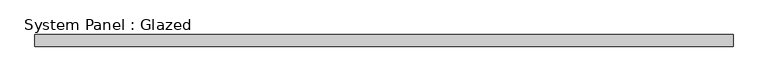
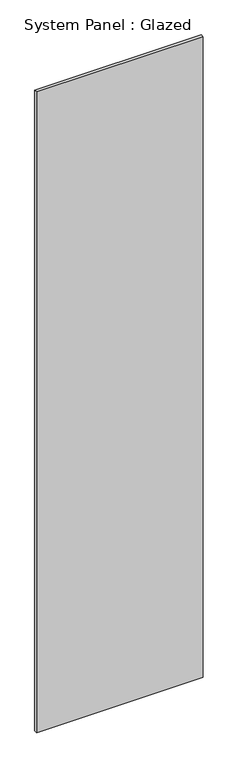
"""IFC4 building model written with IfcOpenShell, lengths in millimetres: plate geometry, System Panel : Glazed."""

from ifc_helpers import new_model, si_unit, origin, origin_with_axes, place, context, project, spatial, polyline, outline, extrude, source, transform, mapped, element, save


def system_panel_glazed_4ee2400a(model_context):
    return source(origin(), model_context, "Body", "SweptSolid", [
        extrude(outline(polyline([(749.3, 19.05), (-749.3, 19.05), (-749.3, 44.45), (749.3, 44.45), (749.3, 19.05)])), origin_with_axes(), (0.0, 0.0, 1.0), 6096.0),
    ])


if __name__ == "__main__":
    model = new_model("IFC4")
    model_context = context("Model", 3, world=origin())
    ifc_project = project(units=[si_unit("LENGTHUNIT", "METRE", prefix="MILLI")], contexts=[model_context])
    site = spatial("IfcSite", under=ifc_project)
    building = spatial("IfcBuilding", under=site)
    placement = place(None, origin())
    system_panel_glazed_shape = system_panel_glazed_4ee2400a(model_context)
    element("IfcPlate", 1, ObjectType="System Panel : Glazed", at=placement, inside=building, context=model_context, shape_type="MappedRepresentation", body=[
        mapped(system_panel_glazed_shape, transform((0.0, 0.0, 0.0), x_axis=(1.0, 0.0, 0.0), y_axis=(0.0, 1.0, 0.0), z_axis=(0.0, 0.0, 1.0))),
    ])
    save(model, "model.ifc")
